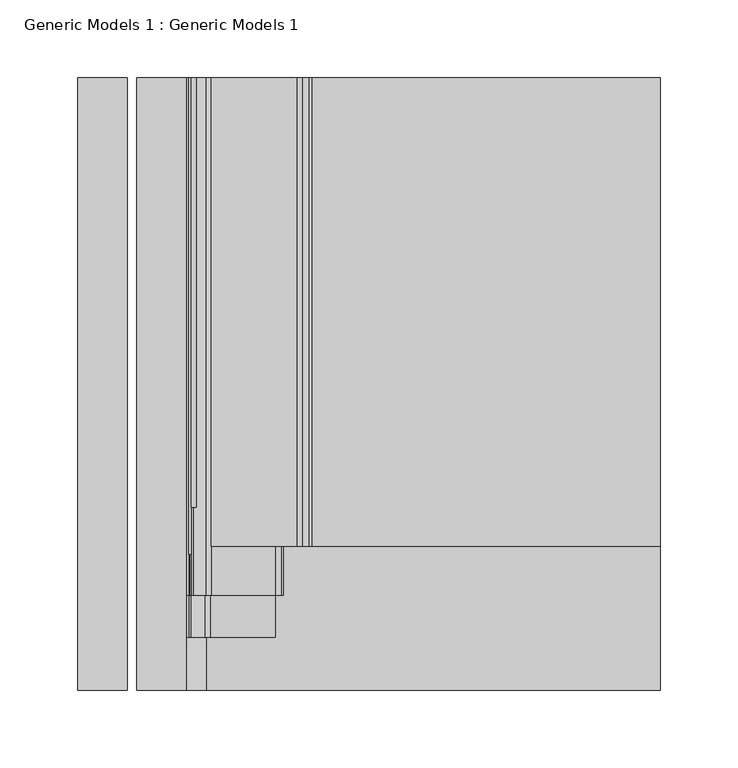
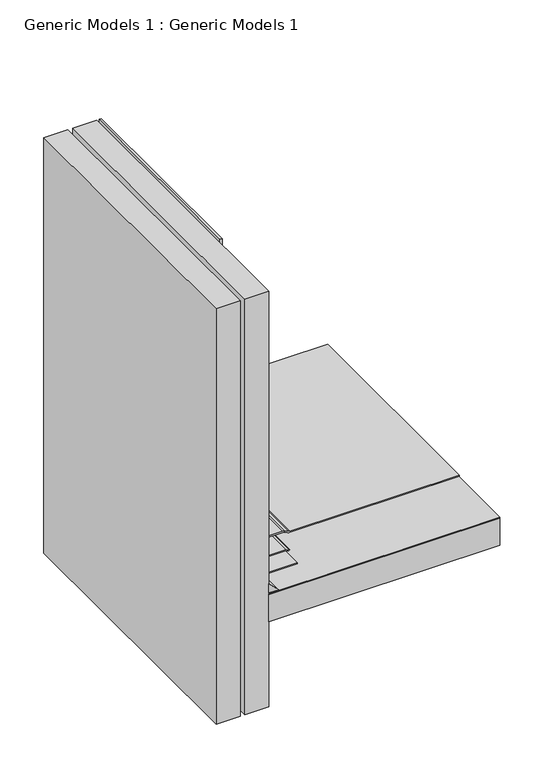
"""IFC4 building model written with IfcOpenShell, lengths in millimetres: proxy geometry, Generic Models 1 : Generic Models 1."""

from ifc_helpers import new_model, si_unit, point, frame, frame_2d, origin, place, context, project, spatial, polyline, circle_curve, trimmed, segment, composite_curve, outline, extrude, source, transform, mapped, element, save


def generic_models_1_generic_models_1_60e63a91(model_context):
    return source(origin(), model_context, "Body", "SweptSolid", [
        extrude(outline(polyline([(85.725, 393.8469389), (88.9, 393.8469389), (88.9, 117.7202603), (85.725, 117.7202603), (85.725, 393.8469389)])), frame((0.0, 0.0, 393.528971), z_axis=(0.0, 0.0, 1.0), x_axis=(1.0, 0.0, 0.0)), (0.0, 0.0, 1.0), 217.658529),
        extrude(outline(polyline([(84.1375, 393.8469389), (85.725, 393.8469389), (85.725, 87.5129765), (84.1375, 87.5129765), (84.1375, 393.8469389)])), frame((0.0, 0.0, 344.4875), z_axis=(0.0, 0.0, 1.0), x_axis=(1.0, 0.0, 0.0)), (0.0, 0.0, 1.0), 57.15),
        extrude(outline(polyline([(82.55, 393.8469389), (387.35, 393.8469389), (387.35, 0.0), (82.55, 0.0), (82.55, 393.8469389)])), frame((0.0, 0.0, 188.9125), z_axis=(0.0, 0.0, 1.0), x_axis=(1.0, 0.0, 0.0)), (0.0, 0.0, 1.0), 0.79375),
        extrude(outline(composite_curve([segment(trimmed(circle_curve(frame_2d((187.325, 153.7084294)), 6.35), [point((193.675, 153.7084294))], [point((193.0800544, 156.3920554))], True, "CARTESIAN"), True, "CONTINUOUS"), segment(polyline([(193.0800544, 156.3920554), (191.0949456, 160.6491351)]), True, "CONTINUOUS"), segment(trimmed(circle_curve(frame_2d((196.85, 163.3327611)), 6.35), [point((191.0949456, 160.6491351))], [point((190.5, 163.3327611))], False, "CARTESIAN"), True, "CONTINUOUS"), segment(polyline([(190.5, 163.3327611), (190.5, 387.35), (192.0875, 387.35), (192.0875, 163.3327611)]), True, "CONTINUOUS"), segment(trimmed(circle_curve(frame_2d((196.85, 163.3327611)), 4.7625), [point((192.0875, 163.3327611))], [point((192.5337092, 161.3200416))], True, "CARTESIAN"), True, "CONTINUOUS"), segment(polyline([(192.5337092, 161.3200416), (194.5188181, 157.0629619)]), True, "CONTINUOUS"), segment(trimmed(circle_curve(frame_2d((187.325, 153.7084294)), 7.9375), [point((194.5188181, 157.0629619))], [point((195.2625, 153.7084294))], False, "CARTESIAN"), True, "CONTINUOUS"), segment(polyline([(195.2625, 153.7084294), (195.2625, 98.5378202), (193.675, 98.5378202), (193.675, 153.7084294)]), True, "CONTINUOUS")], self_intersect=False)), frame((0.0, 92.6863112, 0.0), z_axis=(0.0, 1.0, 0.0), x_axis=(0.0, 0.0, 1.0)), (0.0, 0.0, 1.0), 301.1606278),
        extrude(outline(composite_curve([segment(trimmed(circle_curve(frame_2d((236.8806049, 88.9)), 6.35), [point((236.8806049, 82.55))], [point((233.8064244, 83.34375))], False, "CARTESIAN"), True, "CONTINUOUS"), segment(trimmed(circle_curve(frame_2d((230.7322439, 77.7875)), 6.35), [point((233.8064244, 83.34375))], [point((230.7322439, 84.1375))], True, "CARTESIAN"), True, "CONTINUOUS"), segment(polyline([(230.7322439, 84.1375), (206.4878202, 84.1375)]), True, "CONTINUOUS"), segment(trimmed(circle_curve(frame_2d((206.4878202, 90.4875)), 6.35), [point((206.4878202, 84.1375))], [point((201.9976921, 85.9973719))], False, "CARTESIAN"), True, "CONTINUOUS"), segment(polyline([(201.9976921, 85.9973719), (193.9473719, 94.0476921)]), True, "CONTINUOUS"), segment(trimmed(circle_curve(frame_2d((198.4375, 98.5378202)), 6.35), [point((193.9473719, 94.0476921))], [point((192.0875, 98.5378202))], False, "CARTESIAN"), True, "CONTINUOUS"), segment(polyline([(192.0875, 98.5378202), (192.0875, 139.6852414)]), True, "CONTINUOUS"), segment(trimmed(circle_curve(frame_2d((185.7375, 139.6852414)), 6.35), [point((192.0875, 139.6852414))], [point((191.2367613, 142.8602414))], True, "CARTESIAN"), True, "CONTINUOUS"), segment(polyline([(191.2367613, 142.8602414), (190.5, 144.1363494), (191.8748153, 144.9300994), (192.6115766, 143.6539914)]), True, "CONTINUOUS"), segment(trimmed(circle_curve(frame_2d((185.7375, 139.6852414)), 7.9375), [point((192.6115766, 143.6539914))], [point((193.675, 139.6852414))], False, "CARTESIAN"), True, "CONTINUOUS"), segment(polyline([(193.675, 139.6852414), (193.675, 98.5378202)]), True, "CONTINUOUS"), segment(trimmed(circle_curve(frame_2d((198.4375, 98.5378202)), 4.7625), [point((193.675, 98.5378202))], [point((195.069904, 95.1702241))], True, "CARTESIAN"), True, "CONTINUOUS"), segment(polyline([(195.069904, 95.1702241), (203.1202241, 87.119904)]), True, "CONTINUOUS"), segment(trimmed(circle_curve(frame_2d((206.4878202, 90.4875)), 4.7625), [point((203.1202241, 87.119904))], [point((206.4878202, 85.725))], True, "CARTESIAN"), True, "CONTINUOUS"), segment(polyline([(206.4878202, 85.725), (230.7322439, 85.725)]), True, "CONTINUOUS"), segment(trimmed(circle_curve(frame_2d((230.7322439, 77.7875)), 7.9375), [point((230.7322439, 85.725))], [point((234.5749695, 84.7328125))], False, "CARTESIAN"), True, "CONTINUOUS"), segment(trimmed(circle_curve(frame_2d((236.8806049, 88.9)), 4.7625), [point((234.5749695, 84.7328125))], [point((236.8806049, 84.1375))], True, "CARTESIAN"), True, "CONTINUOUS"), segment(polyline([(236.8806049, 84.1375), (401.6375, 84.1375), (401.6375, 82.55), (236.8806049, 82.55)]), True, "CONTINUOUS")], self_intersect=False)), frame((0.0, 60.9418638, 0.0), z_axis=(0.0, 1.0, 0.0), x_axis=(0.0, 0.0, 1.0)), (0.0, 0.0, 1.0), 332.9050752),
        extrude(outline(composite_curve([segment(trimmed(circle_curve(frame_2d((205.8302561, 88.9)), 6.35), [point((205.8302561, 82.55))], [point((201.3401281, 84.4098719))], False, "CARTESIAN"), True, "CONTINUOUS"), segment(polyline([(201.3401281, 84.4098719), (192.3598719, 93.3901281)]), True, "CONTINUOUS"), segment(trimmed(circle_curve(frame_2d((196.85, 97.8802561)), 6.35), [point((192.3598719, 93.3901281))], [point((190.5, 97.8802561))], False, "CARTESIAN"), True, "CONTINUOUS"), segment(polyline([(190.5, 97.8802561), (190.5, 139.7), (192.0875, 139.7), (192.0875, 97.8802561)]), True, "CONTINUOUS"), segment(trimmed(circle_curve(frame_2d((196.85, 97.8802561)), 4.7625), [point((192.0875, 97.8802561))], [point((193.482404, 94.5126601))], True, "CARTESIAN"), True, "CONTINUOUS"), segment(polyline([(193.482404, 94.5126601), (202.4626601, 85.532404)]), True, "CONTINUOUS"), segment(trimmed(circle_curve(frame_2d((205.8302561, 88.9)), 4.7625), [point((202.4626601, 85.532404))], [point((205.8302561, 84.1375))], True, "CARTESIAN"), True, "CONTINUOUS"), segment(polyline([(205.8302561, 84.1375), (228.6, 84.1375), (228.6, 82.55), (205.8302561, 82.55)]), True, "CONTINUOUS")], self_intersect=False)), frame((0.0, 34.1351637, 0.0), z_axis=(0.0, 1.0, 0.0), x_axis=(0.0, 0.0, 1.0)), (0.0, 0.0, 1.0), 359.7117752),
        extrude(outline(polyline([(203.2, 82.55), (190.5, 82.55), (190.5, 95.25), (203.2, 82.55)])), frame((0.0, 0.0, 0.0), z_axis=(0.0, 1.0, 0.0), x_axis=(0.0, 0.0, 1.0)), (0.0, 0.0, 1.0), 393.8469389),
        extrude(outline(polyline([(82.55, 261.3017557), (387.35, 261.3017557), (387.35, 0.0), (82.55, 0.0), (82.55, 261.3017557)])), frame((0.0, 0.0, 150.01875), z_axis=(0.0, 0.0, 1.0), x_axis=(1.0, 0.0, 0.0)), (0.0, 0.0, 1.0), 38.1),
        extrude(outline(polyline([(82.55, 0.0), (50.8, 0.0), (50.8, 393.8469389), (82.55, 393.8469389), (82.55, 0.0)])), frame((0.0, 0.0, 31.75), z_axis=(0.0, 0.0, 1.0), x_axis=(1.0, 0.0, 0.0)), (0.0, 0.0, 1.0), 579.4375),
        extrude(outline(polyline([(44.45, 0.0), (12.7, 0.0), (12.7, 393.8469389), (44.45, 393.8469389), (44.45, 0.0)])), frame((0.0, 0.0, 31.75), z_axis=(0.0, 0.0, 1.0), x_axis=(1.0, 0.0, 0.0)), (0.0, 0.0, 1.0), 579.4375),
    ])


if __name__ == "__main__":
    model = new_model("IFC4")
    model_context = context("Model", 3, world=origin())
    ifc_project = project(units=[si_unit("LENGTHUNIT", "METRE", prefix="MILLI")], contexts=[model_context])
    site = spatial("IfcSite", under=ifc_project)
    building = spatial("IfcBuilding", under=site)
    placement = place(None, origin())
    generic_models_1_generic_models_1_shape = generic_models_1_generic_models_1_60e63a91(model_context)
    element("IfcBuildingElementProxy", 1, Name="Generic Models 1 : Generic Models 1", ObjectType="Generic Models 1 : Generic Models 1", at=placement, inside=building, context=model_context, shape_type="MappedRepresentation", body=[
        mapped(generic_models_1_generic_models_1_shape, transform((0.0, 0.0, 0.0), x_axis=(1.0, 0.0, 0.0), y_axis=(0.0, 1.0, 0.0), z_axis=(0.0, 0.0, 1.0))),
    ])
    save(model, "model.ifc")
